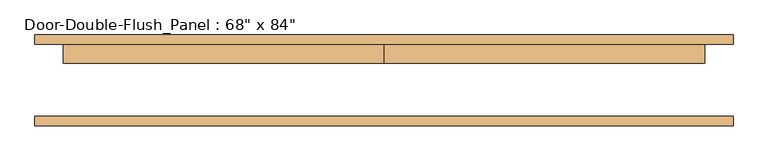
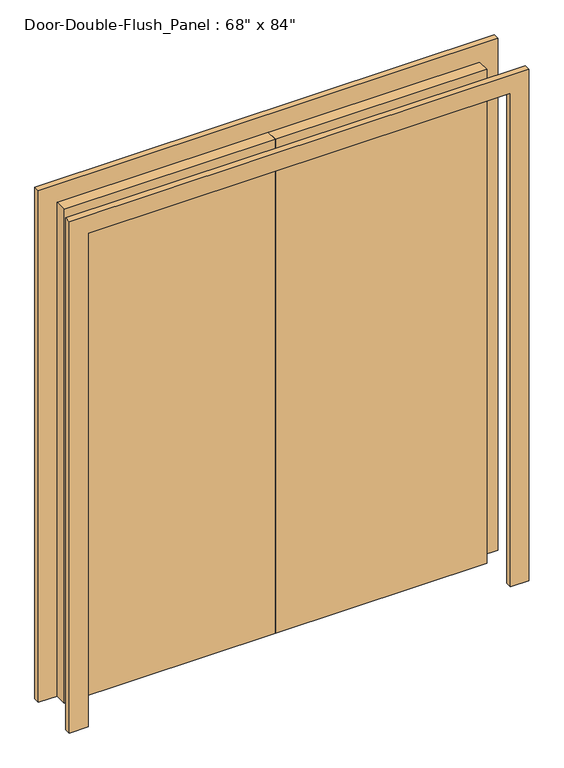
"""IFC4 building model written with IfcOpenShell, lengths in millimetres: door geometry."""

from ifc_helpers import new_model, si_unit, frame, origin, origin_with_axes, place, context, project, spatial, polyline, outline, extrude, source, transform, mapped, element, save


def door_88c778b7(model_context):
    return source(origin(), model_context, "Body", "SweptSolid", [
        extrude(outline(polyline([(2133.6, -863.6), (2133.6, 863.6), (0.0, 863.6), (0.0, 939.8), (2209.8, 939.8), (2209.8, -939.8), (0.0, -939.8), (0.0, -863.6), (2133.6, -863.6)])), frame((0.0, -122.2375, 0.0), z_axis=(0.0, 1.0, 0.0), x_axis=(0.0, 0.0, 1.0)), (0.0, 0.0, 1.0), 25.4),
        extrude(outline(polyline([(2133.6, -863.6), (2133.6, 863.6), (0.0, 863.6), (0.0, 939.8), (2209.8, 939.8), (2209.8, -939.8), (0.0, -939.8), (0.0, -863.6), (2133.6, -863.6)])), frame((0.0, 96.8375, 0.0), z_axis=(0.0, 1.0, 0.0), x_axis=(0.0, 0.0, 1.0)), (0.0, 0.0, 1.0), 25.4),
        extrude(outline(polyline([(0.0, 96.8375), (863.6, 96.8375), (863.6, 46.0375), (0.0, 46.0375), (0.0, 96.8375)])), origin_with_axes(), (0.0, 0.0, 1.0), 2133.6),
        extrude(outline(polyline([(-863.6, 96.8375), (0.0, 96.8375), (0.0, 46.0375), (-863.6, 46.0375), (-863.6, 96.8375)])), origin_with_axes(), (0.0, 0.0, 1.0), 2133.6),
    ])


if __name__ == "__main__":
    model = new_model("IFC4")
    model_context = context("Model", 3, world=origin())
    ifc_project = project(units=[si_unit("LENGTHUNIT", "METRE", prefix="MILLI")], contexts=[model_context])
    site = spatial("IfcSite", under=ifc_project)
    building = spatial("IfcBuilding", under=site)
    placement = place(None, origin())
    door_shape = door_88c778b7(model_context)
    element("IfcDoor", 1, ObjectType="Door-Double-Flush_Panel : 68\" x 84\"", at=placement, inside=building, context=model_context, shape_type="MappedRepresentation", body=[
        mapped(door_shape, transform((0.0, 0.0, 0.0), x_axis=(1.0, 0.0, 0.0), y_axis=(0.0, 1.0, 0.0), z_axis=(0.0, 0.0, 1.0))),
    ])
    save(model, "model.ifc")
